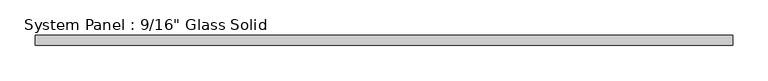
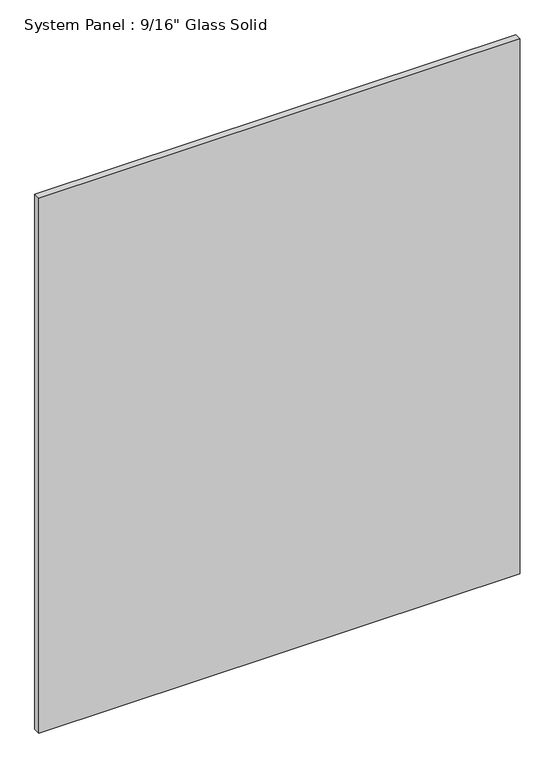
"""IFC4 building model written with IfcOpenShell, lengths in millimetres: plate geometry."""

import ifcopenshell
import ifcopenshell.guid

model = None  # the IFC model being written
_history = None  # IfcOwnerHistory: only IFC2X3 demands one
_inside = {}  # id of a spatial element -> (the spatial element, [elements in it])
_under = {}  # id of a project, library or spatial element -> (it, [spatial elements below it])
_declared = {}  # id of a project -> (the project, [libraries it declares])
_typed = {}  # id of a type object -> (the type object, [elements of that type])
_made_of = {}  # id of a material, layer set ... -> (it, [elements and type objects made of it])


def new_model(schema):
    """Start an empty IFC model of exactly this schema.

    Asked for "IFC4X3", IfcOpenShell would pick the latest addendum, in which some entities
    have other attributes; the version numbers below select the first issue.
    IFC2X3 requires an IfcOwnerHistory on every rooted entity: one is made here for all.
    """
    global model, _history
    if schema == "IFC4X3":
        model = ifcopenshell.file(schema_version=(4, 3, 0, 0))
    else:
        model = ifcopenshell.file(schema=schema)
    _inside.clear()
    _under.clear()
    _declared.clear()
    _typed.clear()
    _made_of.clear()
    _history = None
    if model.schema == "IFC2X3":
        org = make("IfcOrganization", Name="unknown")
        user = make(
            "IfcPersonAndOrganization",
            ThePerson=make("IfcPerson", FamilyName="unknown"),
            TheOrganization=org,
        )
        app = make(
            "IfcApplication",
            ApplicationDeveloper=org,
            Version="unknown",
            ApplicationFullName="unknown",
            ApplicationIdentifier="unknown",
        )
        _history = make(
            "IfcOwnerHistory",
            OwningUser=user,
            OwningApplication=app,
            ChangeAction="ADDED",
            CreationDate=0,
        )
    return model


def make(cls, **values):
    """One entity of the class cls with the attributes given. An attribute that is None is left unset."""
    return model.create_entity(
        cls, **{name: value for name, value in values.items() if value is not None}
    )


def rooted(cls, **values):
    """An entity with a GlobalId (a new one), such as an element, a storey or a relation."""
    return make(cls, GlobalId=ifcopenshell.guid.new(), OwnerHistory=_history, **values)


def si_unit(unit_type, name, prefix=None):
    """IfcSIUnit, for example si_unit("LENGTHUNIT", "METRE", prefix="MILLI")."""
    return make("IfcSIUnit", UnitType=unit_type, Prefix=prefix, Name=name)


def assignment(units):
    """IfcUnitAssignment: the units of a project."""
    return None if units is None else make("IfcUnitAssignment", Units=units)


def point(xyz):
    """IfcCartesianPoint."""
    return None if xyz is None else make("IfcCartesianPoint", Coordinates=xyz)


def direction(xyz):
    """IfcDirection."""
    return None if xyz is None else make("IfcDirection", DirectionRatios=xyz)


def frame(location, z_axis=None, x_axis=None):
    """IfcAxis2Placement3D, a coordinate frame: its origin and axes. An axis left out is left unset."""
    return make(
        "IfcAxis2Placement3D",
        Location=point(location),
        Axis=direction(z_axis),
        RefDirection=direction(x_axis),
    )


def origin():
    """The frame at (0, 0, 0) with its axes left unset."""
    return frame((0.0, 0.0, 0.0))


def origin_with_axes():
    """The frame at (0, 0, 0) with the z axis (0, 0, 1) and the x axis (1, 0, 0) written out."""
    return frame((0.0, 0.0, 0.0), z_axis=(0.0, 0.0, 1.0), x_axis=(1.0, 0.0, 0.0))


def place(relative_to, where):
    """IfcLocalPlacement: puts the frame where relative to a parent placement (None: the world)."""
    return make(
        "IfcLocalPlacement", PlacementRelTo=relative_to, RelativePlacement=where
    )


def context(
    kind, dimensions, precision=None, world=None, true_north=None, identifier=None
):
    """IfcGeometricRepresentationContext, for example the 3D "Model" context."""
    return make(
        "IfcGeometricRepresentationContext",
        ContextIdentifier=identifier,
        ContextType=kind,
        CoordinateSpaceDimension=dimensions,
        Precision=precision,
        WorldCoordinateSystem=world,
        TrueNorth=true_north,
    )


def project(units=None, contexts=None):
    """IfcProject with its units and contexts."""
    return rooted(
        "IfcProject",
        Name="project",
        RepresentationContexts=contexts,
        UnitsInContext=assignment(units),
    )


def spatial(cls, under=None, at=None, **own):
    """A site, building, storey or space (cls), placed at a placement, below another one or the project."""
    s = rooted(cls, ObjectPlacement=at, **own)
    if under is not None:
        _under.setdefault(under.id(), (under, []))[1].append(s)
    return s


def polyline(points):
    """IfcPolyline through the points."""
    return make("IfcPolyline", Points=[point(p) for p in points])


def outline(outer, holes=None, kind="AREA"):
    """IfcArbitraryClosedProfileDef: a profile drawn as a closed curve; with holes, ...WithVoids."""
    if holes is None:
        return make("IfcArbitraryClosedProfileDef", ProfileType=kind, OuterCurve=outer)
    return make(
        "IfcArbitraryProfileDefWithVoids",
        ProfileType=kind,
        OuterCurve=outer,
        InnerCurves=holes,
    )


def extrude(swept, where, along, depth):
    """IfcExtrudedAreaSolid: the profile swept, set in the frame where, extruded along a direction by depth."""
    return make(
        "IfcExtrudedAreaSolid",
        SweptArea=swept,
        Position=where,
        ExtrudedDirection=direction(along),
        Depth=depth,
    )


def shape(context_of_items, identifier, shape_type, items):
    """IfcShapeRepresentation: the items that make up one representation, for example the "Body"."""
    return make(
        "IfcShapeRepresentation",
        ContextOfItems=context_of_items,
        RepresentationIdentifier=identifier,
        RepresentationType=shape_type,
        Items=items,
    )


def source(mapping_origin, context_of_items, identifier, shape_type, items):
    """IfcRepresentationMap: a shape defined once, which mapped items show again and again."""
    return make(
        "IfcRepresentationMap",
        MappingOrigin=mapping_origin,
        MappedRepresentation=shape(context_of_items, identifier, shape_type, items),
    )


def transform(
    local_origin,
    x_axis=None,
    y_axis=None,
    z_axis=None,
    scale=None,
    scale2=None,
    scale3=None,
    uniform=True,
):
    """IfcCartesianTransformationOperator3D, or its non-uniform kind. x_axis, y_axis, z_axis: its Axis1, 2, 3."""
    if uniform:
        return make(
            "IfcCartesianTransformationOperator3D",
            Axis1=direction(x_axis),
            Axis2=direction(y_axis),
            LocalOrigin=point(local_origin),
            Scale=scale,
            Axis3=direction(z_axis),
        )
    return make(
        "IfcCartesianTransformationOperator3DnonUniform",
        Axis1=direction(x_axis),
        Axis2=direction(y_axis),
        LocalOrigin=point(local_origin),
        Scale=scale,
        Axis3=direction(z_axis),
        Scale2=scale2,
        Scale3=scale3,
    )


def mapped(mapping_source, mapping_target):
    """IfcMappedItem: shows the shape of a source again, moved by a transform."""
    return make(
        "IfcMappedItem", MappingSource=mapping_source, MappingTarget=mapping_target
    )


def made_of(thing, what):
    """Note that an element or type object is made of a material, layer set ...; save() writes the relation."""
    if what is not None:
        _made_of.setdefault(what.id(), (what, []))[1].append(thing)
    return thing


def element(
    cls,
    number,
    at=None,
    inside=None,
    cuts=None,
    type_object=None,
    material=None,
    context=None,
    identifier="Body",
    shape_type=None,
    held_by="IfcProductDefinitionShape",
    body=None,
    shapes=None,
    **own,
):
    """One element of the class cls, such as IfcWall. Its Tag is "e" and its number.

    at: its placement. inside: the storey or other place that contains it. cuts: it is an
    opening in that element (IfcRelVoidsElement). A single representation is given by context,
    identifier, shape_type and body (its items); several are given by shapes. held_by: the class
    of the entity that holds the representations. save() writes the other relations.
    """
    e = rooted(cls, Tag="e%d" % number, ObjectPlacement=at, **own)
    if body is not None:
        shapes = [shape(context, identifier, shape_type, body)]
    if shapes is not None:
        e.Representation = make(held_by, Representations=shapes)
    if inside is not None:
        _inside.setdefault(inside.id(), (inside, []))[1].append(e)
    if cuts is not None:
        rooted(
            "IfcRelVoidsElement", RelatingBuildingElement=cuts, RelatedOpeningElement=e
        )
    if type_object is not None:
        _typed.setdefault(type_object.id(), (type_object, []))[1].append(e)
    return made_of(e, material)


def aggregate(whole, parts):
    """IfcRelAggregates: a whole, such as a stair, and the parts it consists of."""
    return rooted("IfcRelAggregates", RelatingObject=whole, RelatedObjects=parts)


def save(model, path):
    """Write the relations noted so far, then the file.

    IfcRelAggregates (storeys below a building ...), IfcRelContainedInSpatialStructure (elements
    in a storey), IfcRelDefinesByType, IfcRelAssociatesMaterial and IfcRelDeclares: one each for
    every whole, place, type object, material and project.
    """
    for whole, parts in _under.values():
        aggregate(whole, parts)
    for where, things in _inside.values():
        rooted(
            "IfcRelContainedInSpatialStructure",
            RelatedElements=things,
            RelatingStructure=where,
        )
    for kind, things in _typed.values():
        rooted("IfcRelDefinesByType", RelatedObjects=things, RelatingType=kind)
    for what, things in _made_of.values():
        rooted("IfcRelAssociatesMaterial", RelatedObjects=things, RelatingMaterial=what)
    for by, libraries in _declared.values():
        rooted("IfcRelDeclares", RelatingContext=by, RelatedDefinitions=libraries)
    model.write(path)


def plate_8afb43a6(model_context):
    return source(origin(), model_context, "Body", "SweptSolid", [
        extrude(outline(polyline([(495.3008852, -7.14375), (-495.3008852, -7.14375), (-495.3008852, 7.14375), (495.3008852, 7.14375), (495.3008852, -7.14375)])), origin_with_axes(), (0.0, 0.0, 1.0), 1163.2094027),
    ])


if __name__ == "__main__":
    model = new_model("IFC4")
    model_context = context("Model", 3, world=origin())
    ifc_project = project(units=[si_unit("LENGTHUNIT", "METRE", prefix="MILLI")], contexts=[model_context])
    site = spatial("IfcSite", under=ifc_project)
    building = spatial("IfcBuilding", under=site)
    placement = place(None, origin())
    plate_shape = plate_8afb43a6(model_context)
    element("IfcPlate", 1, ObjectType="System Panel : 9/16\" Glass Solid", at=placement, inside=building, context=model_context, shape_type="MappedRepresentation", body=[
        mapped(plate_shape, transform((0.0, 0.0, 0.0), x_axis=(1.0, 0.0, 0.0), y_axis=(0.0, 1.0, 0.0), z_axis=(0.0, 0.0, 1.0))),
    ])
    save(model, "model.ifc")
